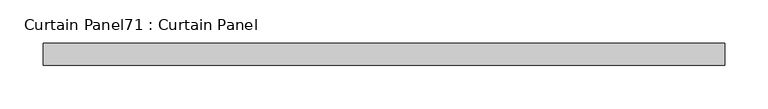
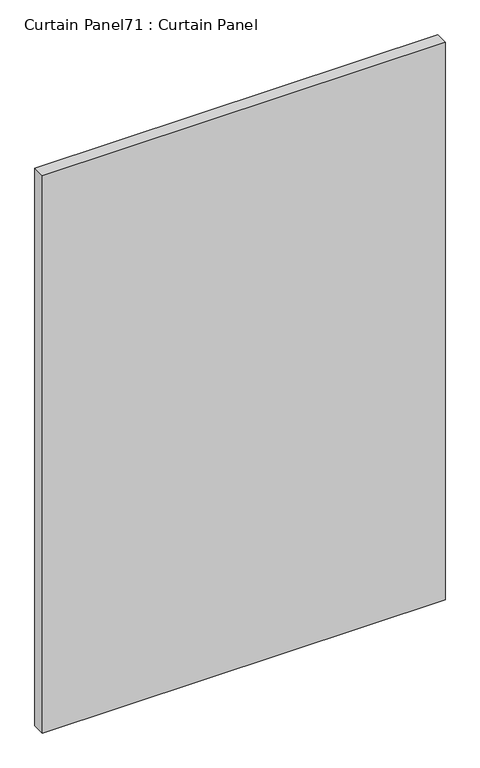
"""IFC4 building model written with IfcOpenShell, lengths in millimetres: plate geometry, Curtain Panel71 : Curtain Panel."""

from ifc_helpers import new_model, si_unit, frame, origin, place, context, project, spatial, polyline, outline, extrude, source, transform, mapped, element, save


def curtain_panel71_curtain_panel_58b67894(model_context):
    return source(origin(), model_context, "Body", "SweptSolid", [
        extrude(outline(polyline([(-41955.3651505, -3859.9631042), (-42742.7613888, -3859.9631042), (-42742.7613888, -3834.5631042), (-41955.3651505, -3834.5631042), (-41955.3651505, -3859.9631042)])), frame((0.0, 0.0, 1254.1337004), z_axis=(0.0, 0.0, 1.0), x_axis=(1.0, 0.0, 0.0)), (0.0, 0.0, 1.0), 1152.5321746),
    ])


if __name__ == "__main__":
    model = new_model("IFC4")
    model_context = context("Model", 3, world=origin())
    ifc_project = project(units=[si_unit("LENGTHUNIT", "METRE", prefix="MILLI")], contexts=[model_context])
    site = spatial("IfcSite", under=ifc_project)
    building = spatial("IfcBuilding", under=site)
    placement = place(None, origin())
    curtain_panel71_curtain_panel_shape = curtain_panel71_curtain_panel_58b67894(model_context)
    element("IfcPlate", 1, ObjectType="Curtain Panel71 : Curtain Panel", at=placement, inside=building, context=model_context, shape_type="MappedRepresentation", body=[
        mapped(curtain_panel71_curtain_panel_shape, transform((0.0, 0.0, 0.0), x_axis=(1.0, 0.0, 0.0), y_axis=(0.0, 1.0, 0.0), z_axis=(0.0, 0.0, 1.0))),
    ])
    save(model, "model.ifc")
